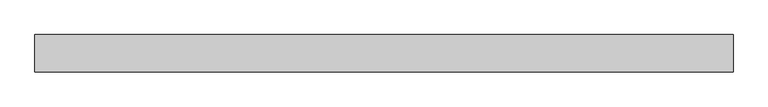
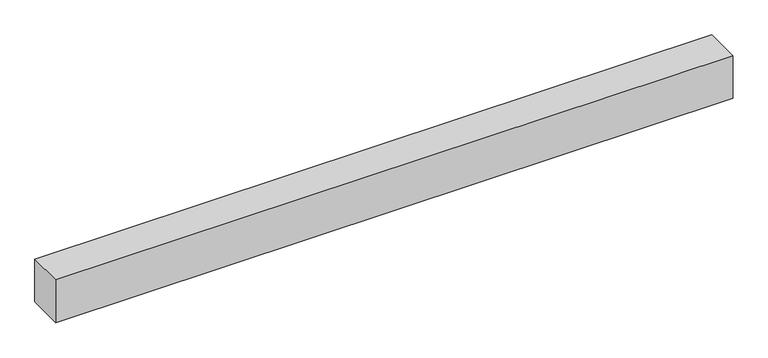
"""IFC4 building model written with IfcOpenShell, lengths in millimetres: proxy geometry."""

from ifc_helpers import new_model, si_unit, origin, origin_with_axes, place, context, project, spatial, polyline, outline, extrude, source, transform, mapped, element, save


def generic_models_f9a1ff78(model_context):
    return source(origin(), model_context, "Body", "SweptSolid", [
        extrude(outline(polyline([(1500.0, -40.0), (0.0, -40.0), (0.0, 40.0), (1500.0, 40.0), (1500.0, -40.0)])), origin_with_axes(), (0.0, 0.0, 1.0), 100.0),
    ])


if __name__ == "__main__":
    model = new_model("IFC4")
    model_context = context("Model", 3, world=origin())
    ifc_project = project(units=[si_unit("LENGTHUNIT", "METRE", prefix="MILLI")], contexts=[model_context])
    site = spatial("IfcSite", under=ifc_project)
    building = spatial("IfcBuilding", under=site)
    placement = place(None, origin())
    generic_models_shape = generic_models_f9a1ff78(model_context)
    element("IfcBuildingElementProxy", 1, Name="Generic Models", at=placement, inside=building, context=model_context, shape_type="MappedRepresentation", body=[
        mapped(generic_models_shape, transform((0.0, 0.0, 0.0), x_axis=(1.0, 0.0, 0.0), y_axis=(0.0, 1.0, 0.0), z_axis=(0.0, 0.0, 1.0))),
    ])
    save(model, "model.ifc")
